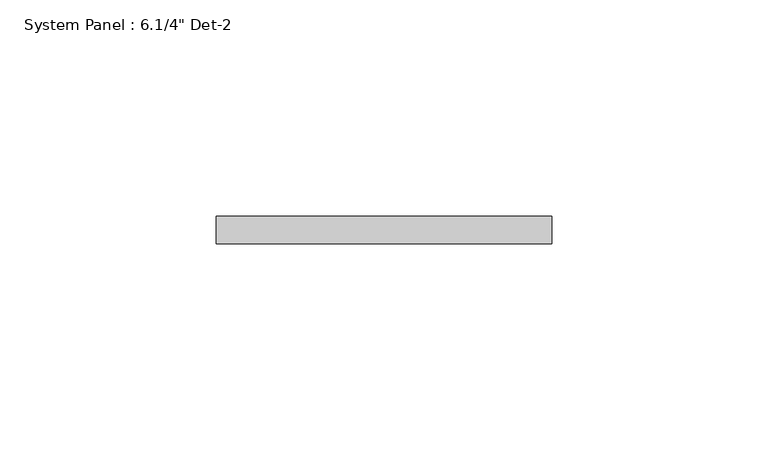
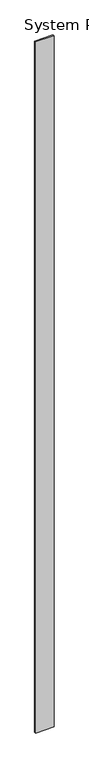
"""IFC4 building model written with IfcOpenShell, lengths in millimetres: plate geometry."""

from ifc_helpers import new_model, si_unit, origin, origin_with_axes, place, context, project, spatial, polyline, outline, extrude, source, transform, mapped, element, save


def plate_e8c95275(model_context):
    return source(origin(), model_context, "Body", "SweptSolid", [
        extrude(outline(polyline([(38.6926505, 0.0), (-38.6926505, 0.0), (-38.6926505, 6.35), (38.6926505, 6.35), (38.6926505, 0.0)])), origin_with_axes(), (0.0, 0.0, 1.0), 3048.0),
    ])


if __name__ == "__main__":
    model = new_model("IFC4")
    model_context = context("Model", 3, world=origin())
    ifc_project = project(units=[si_unit("LENGTHUNIT", "METRE", prefix="MILLI")], contexts=[model_context])
    site = spatial("IfcSite", under=ifc_project)
    building = spatial("IfcBuilding", under=site)
    placement = place(None, origin())
    plate_shape = plate_e8c95275(model_context)
    element("IfcPlate", 1, ObjectType="System Panel : 6.1/4\" Det-2", at=placement, inside=building, context=model_context, shape_type="MappedRepresentation", body=[
        mapped(plate_shape, transform((0.0, 0.0, 0.0), x_axis=(1.0, 0.0, 0.0), y_axis=(0.0, 1.0, 0.0), z_axis=(0.0, 0.0, 1.0))),
    ])
    save(model, "model.ifc")
